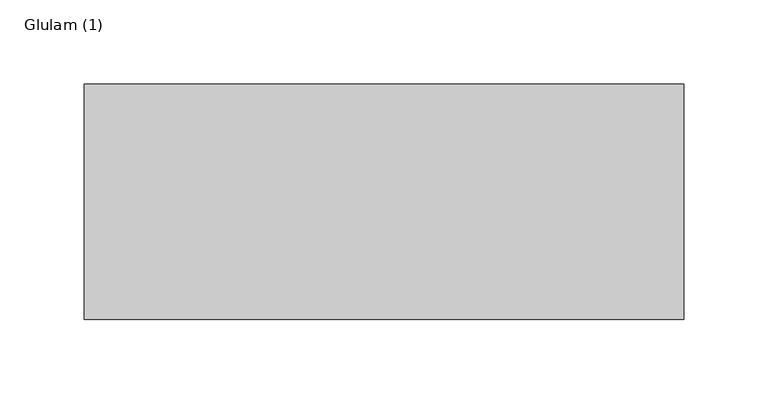
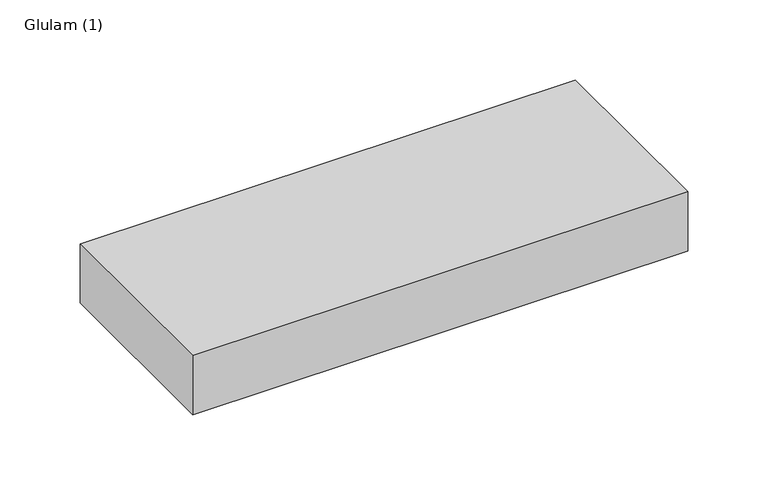
"""IFC4 building model written with IfcOpenShell, lengths in millimetres: beam geometry, Glulam (1)."""

import ifcopenshell
import ifcopenshell.guid

model = None  # the IFC model being written
_history = None  # IfcOwnerHistory: only IFC2X3 demands one
_inside = {}  # id of a spatial element -> (the spatial element, [elements in it])
_under = {}  # id of a project, library or spatial element -> (it, [spatial elements below it])
_declared = {}  # id of a project -> (the project, [libraries it declares])
_typed = {}  # id of a type object -> (the type object, [elements of that type])
_made_of = {}  # id of a material, layer set ... -> (it, [elements and type objects made of it])


def new_model(schema):
    """Start an empty IFC model of exactly this schema.

    Asked for "IFC4X3", IfcOpenShell would pick the latest addendum, in which some entities
    have other attributes; the version numbers below select the first issue.
    IFC2X3 requires an IfcOwnerHistory on every rooted entity: one is made here for all.
    """
    global model, _history
    if schema == "IFC4X3":
        model = ifcopenshell.file(schema_version=(4, 3, 0, 0))
    else:
        model = ifcopenshell.file(schema=schema)
    _inside.clear()
    _under.clear()
    _declared.clear()
    _typed.clear()
    _made_of.clear()
    _history = None
    if model.schema == "IFC2X3":
        org = make("IfcOrganization", Name="unknown")
        user = make(
            "IfcPersonAndOrganization",
            ThePerson=make("IfcPerson", FamilyName="unknown"),
            TheOrganization=org,
        )
        app = make(
            "IfcApplication",
            ApplicationDeveloper=org,
            Version="unknown",
            ApplicationFullName="unknown",
            ApplicationIdentifier="unknown",
        )
        _history = make(
            "IfcOwnerHistory",
            OwningUser=user,
            OwningApplication=app,
            ChangeAction="ADDED",
            CreationDate=0,
        )
    return model


def make(cls, **values):
    """One entity of the class cls with the attributes given. An attribute that is None is left unset."""
    return model.create_entity(
        cls, **{name: value for name, value in values.items() if value is not None}
    )


def rooted(cls, **values):
    """An entity with a GlobalId (a new one), such as an element, a storey or a relation."""
    return make(cls, GlobalId=ifcopenshell.guid.new(), OwnerHistory=_history, **values)


def si_unit(unit_type, name, prefix=None):
    """IfcSIUnit, for example si_unit("LENGTHUNIT", "METRE", prefix="MILLI")."""
    return make("IfcSIUnit", UnitType=unit_type, Prefix=prefix, Name=name)


def assignment(units):
    """IfcUnitAssignment: the units of a project."""
    return None if units is None else make("IfcUnitAssignment", Units=units)


def point(xyz):
    """IfcCartesianPoint."""
    return None if xyz is None else make("IfcCartesianPoint", Coordinates=xyz)


def direction(xyz):
    """IfcDirection."""
    return None if xyz is None else make("IfcDirection", DirectionRatios=xyz)


def frame(location, z_axis=None, x_axis=None):
    """IfcAxis2Placement3D, a coordinate frame: its origin and axes. An axis left out is left unset."""
    return make(
        "IfcAxis2Placement3D",
        Location=point(location),
        Axis=direction(z_axis),
        RefDirection=direction(x_axis),
    )


def origin():
    """The frame at (0, 0, 0) with its axes left unset."""
    return frame((0.0, 0.0, 0.0))


def place(relative_to, where):
    """IfcLocalPlacement: puts the frame where relative to a parent placement (None: the world)."""
    return make(
        "IfcLocalPlacement", PlacementRelTo=relative_to, RelativePlacement=where
    )


def context(
    kind, dimensions, precision=None, world=None, true_north=None, identifier=None
):
    """IfcGeometricRepresentationContext, for example the 3D "Model" context."""
    return make(
        "IfcGeometricRepresentationContext",
        ContextIdentifier=identifier,
        ContextType=kind,
        CoordinateSpaceDimension=dimensions,
        Precision=precision,
        WorldCoordinateSystem=world,
        TrueNorth=true_north,
    )


def project(units=None, contexts=None):
    """IfcProject with its units and contexts."""
    return rooted(
        "IfcProject",
        Name="project",
        RepresentationContexts=contexts,
        UnitsInContext=assignment(units),
    )


def spatial(cls, under=None, at=None, **own):
    """A site, building, storey or space (cls), placed at a placement, below another one or the project."""
    s = rooted(cls, ObjectPlacement=at, **own)
    if under is not None:
        _under.setdefault(under.id(), (under, []))[1].append(s)
    return s


def polyline(points):
    """IfcPolyline through the points."""
    return make("IfcPolyline", Points=[point(p) for p in points])


def outline(outer, holes=None, kind="AREA"):
    """IfcArbitraryClosedProfileDef: a profile drawn as a closed curve; with holes, ...WithVoids."""
    if holes is None:
        return make("IfcArbitraryClosedProfileDef", ProfileType=kind, OuterCurve=outer)
    return make(
        "IfcArbitraryProfileDefWithVoids",
        ProfileType=kind,
        OuterCurve=outer,
        InnerCurves=holes,
    )


def extrude(swept, where, along, depth):
    """IfcExtrudedAreaSolid: the profile swept, set in the frame where, extruded along a direction by depth."""
    return make(
        "IfcExtrudedAreaSolid",
        SweptArea=swept,
        Position=where,
        ExtrudedDirection=direction(along),
        Depth=depth,
    )


def shape(context_of_items, identifier, shape_type, items):
    """IfcShapeRepresentation: the items that make up one representation, for example the "Body"."""
    return make(
        "IfcShapeRepresentation",
        ContextOfItems=context_of_items,
        RepresentationIdentifier=identifier,
        RepresentationType=shape_type,
        Items=items,
    )


def source(mapping_origin, context_of_items, identifier, shape_type, items):
    """IfcRepresentationMap: a shape defined once, which mapped items show again and again."""
    return make(
        "IfcRepresentationMap",
        MappingOrigin=mapping_origin,
        MappedRepresentation=shape(context_of_items, identifier, shape_type, items),
    )


def transform(
    local_origin,
    x_axis=None,
    y_axis=None,
    z_axis=None,
    scale=None,
    scale2=None,
    scale3=None,
    uniform=True,
):
    """IfcCartesianTransformationOperator3D, or its non-uniform kind. x_axis, y_axis, z_axis: its Axis1, 2, 3."""
    if uniform:
        return make(
            "IfcCartesianTransformationOperator3D",
            Axis1=direction(x_axis),
            Axis2=direction(y_axis),
            LocalOrigin=point(local_origin),
            Scale=scale,
            Axis3=direction(z_axis),
        )
    return make(
        "IfcCartesianTransformationOperator3DnonUniform",
        Axis1=direction(x_axis),
        Axis2=direction(y_axis),
        LocalOrigin=point(local_origin),
        Scale=scale,
        Axis3=direction(z_axis),
        Scale2=scale2,
        Scale3=scale3,
    )


def mapped(mapping_source, mapping_target):
    """IfcMappedItem: shows the shape of a source again, moved by a transform."""
    return make(
        "IfcMappedItem", MappingSource=mapping_source, MappingTarget=mapping_target
    )


def made_of(thing, what):
    """Note that an element or type object is made of a material, layer set ...; save() writes the relation."""
    if what is not None:
        _made_of.setdefault(what.id(), (what, []))[1].append(thing)
    return thing


def element(
    cls,
    number,
    at=None,
    inside=None,
    cuts=None,
    type_object=None,
    material=None,
    context=None,
    identifier="Body",
    shape_type=None,
    held_by="IfcProductDefinitionShape",
    body=None,
    shapes=None,
    **own,
):
    """One element of the class cls, such as IfcWall. Its Tag is "e" and its number.

    at: its placement. inside: the storey or other place that contains it. cuts: it is an
    opening in that element (IfcRelVoidsElement). A single representation is given by context,
    identifier, shape_type and body (its items); several are given by shapes. held_by: the class
    of the entity that holds the representations. save() writes the other relations.
    """
    e = rooted(cls, Tag="e%d" % number, ObjectPlacement=at, **own)
    if body is not None:
        shapes = [shape(context, identifier, shape_type, body)]
    if shapes is not None:
        e.Representation = make(held_by, Representations=shapes)
    if inside is not None:
        _inside.setdefault(inside.id(), (inside, []))[1].append(e)
    if cuts is not None:
        rooted(
            "IfcRelVoidsElement", RelatingBuildingElement=cuts, RelatedOpeningElement=e
        )
    if type_object is not None:
        _typed.setdefault(type_object.id(), (type_object, []))[1].append(e)
    return made_of(e, material)


def aggregate(whole, parts):
    """IfcRelAggregates: a whole, such as a stair, and the parts it consists of."""
    return rooted("IfcRelAggregates", RelatingObject=whole, RelatedObjects=parts)


def save(model, path):
    """Write the relations noted so far, then the file.

    IfcRelAggregates (storeys below a building ...), IfcRelContainedInSpatialStructure (elements
    in a storey), IfcRelDefinesByType, IfcRelAssociatesMaterial and IfcRelDeclares: one each for
    every whole, place, type object, material and project.
    """
    for whole, parts in _under.values():
        aggregate(whole, parts)
    for where, things in _inside.values():
        rooted(
            "IfcRelContainedInSpatialStructure",
            RelatedElements=things,
            RelatingStructure=where,
        )
    for kind, things in _typed.values():
        rooted("IfcRelDefinesByType", RelatedObjects=things, RelatingType=kind)
    for what, things in _made_of.values():
        rooted("IfcRelAssociatesMaterial", RelatedObjects=things, RelatingMaterial=what)
    for by, libraries in _declared.values():
        rooted("IfcRelDeclares", RelatingContext=by, RelatedDefinitions=libraries)
    model.write(path)


def glulam_1_78dd40d1(model_context):
    return source(origin(), model_context, "Body", "SweptSolid", [
        extrude(outline(polyline([(178.0, 70.0), (178.0, -70.0), (-178.0, -70.0), (-178.0, 70.0), (178.0, 70.0)])), frame((0.0, 0.0, -22.5), z_axis=(0.0, 0.0, 1.0), x_axis=(1.0, 0.0, 0.0)), (0.0, 0.0, 1.0), 45.0),
    ])


if __name__ == "__main__":
    model = new_model("IFC4")
    model_context = context("Model", 3, world=origin())
    ifc_project = project(units=[si_unit("LENGTHUNIT", "METRE", prefix="MILLI")], contexts=[model_context])
    site = spatial("IfcSite", under=ifc_project)
    building = spatial("IfcBuilding", under=site)
    placement = place(None, origin())
    glulam_1_shape = glulam_1_78dd40d1(model_context)
    element("IfcBeam", 1, ObjectType="Glulam (1)", at=placement, inside=building, context=model_context, shape_type="MappedRepresentation", body=[
        mapped(glulam_1_shape, transform((0.0, 0.0, 0.0), x_axis=(1.0, 0.0, 0.0), y_axis=(0.0, 1.0, 0.0), z_axis=(0.0, 0.0, 1.0))),
    ])
    save(model, "model.ifc")
